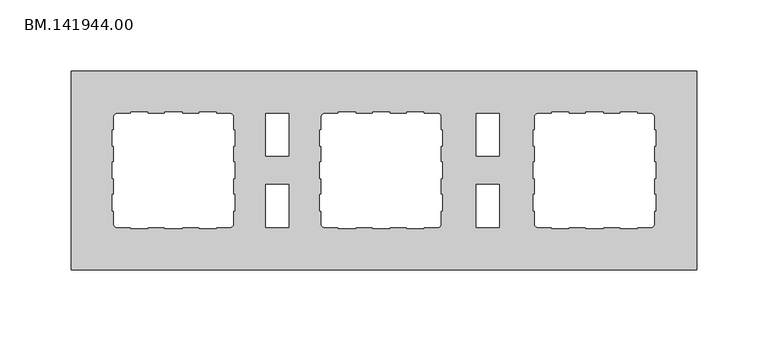
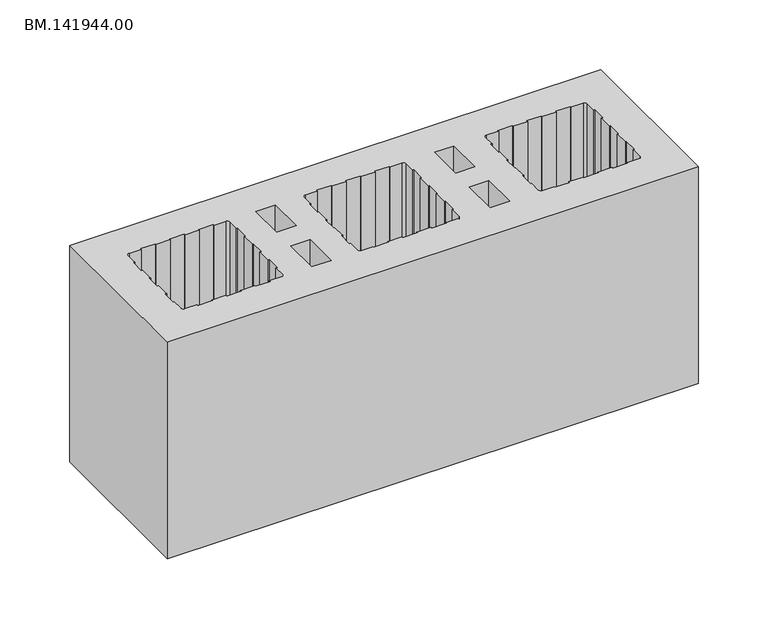
"""IFC4 building model written with IfcOpenShell, lengths in millimetres: proxy geometry, BM.141944.00."""

from ifc_helpers import new_model, si_unit, point, frame_2d, origin, origin_with_axes, place, context, project, spatial, polyline, circle_curve, trimmed, segment, composite_curve, outline, extrude, source, transform, mapped, element, save


def bm_141944_00_1180f488(model_context):
    return source(origin(), model_context, "Body", "SweptSolid", [
        extrude(outline(polyline([(444.991748, 70.0050293), (444.991748, -70.0050293), (5.0, -70.0050293), (5.0, 70.0050293), (444.991748, 70.0050293)]), holes=[composite_curve([segment(polyline([(119.0023438, 28.5936035), (119.0023438, 37.9883789)]), True, "CONTINUOUS"), segment(trimmed(circle_curve(frame_2d((116.9931641, 37.9883789)), 2.0091797), [point((119.0023438, 37.9883789))], [point((116.9931641, 39.9975586))], True, "CARTESIAN"), True, "CONTINUOUS"), segment(polyline([(116.9931641, 39.9975586), (107.0030762, 39.9975586), (107.0030762, 41.0021484), (95.0038086, 41.0021484), (95.0038086, 39.9975586), (83.004541, 39.9975586), (83.004541, 41.0021484), (71.0052734, 41.0021484), (71.0052734, 39.9975586), (59.0060059, 39.9975586), (59.0060059, 41.0021484), (47.0067383, 41.0021484), (47.0067383, 39.9975586), (37.0166504, 39.9975586)]), True, "CONTINUOUS"), segment(trimmed(circle_curve(frame_2d((37.0166504, 37.9883789)), 2.0091797), [point((37.0166504, 39.9975586))], [point((35.0074707, 37.9883789))], True, "CARTESIAN"), True, "CONTINUOUS"), segment(polyline([(35.0074707, 37.9883789), (35.0074707, 28.5936035), (34.0028809, 28.5936035), (34.0028809, 17.1896484), (35.0074707, 17.1896484), (35.0074707, 5.8042969), (34.0028809, 5.8042969), (34.0028809, -5.5996582), (35.0074707, -5.5996582), (35.0074707, -17.0036133), (34.0028809, -17.0036133), (34.0028809, -28.4075684), (35.0074707, -28.4075684), (35.0074707, -37.9883789)]), True, "CONTINUOUS"), segment(trimmed(circle_curve(frame_2d((37.0166504, -37.9883789)), 2.0091797), [point((35.0074707, -37.9883789))], [point((37.0166504, -39.9975586))], True, "CARTESIAN"), True, "CONTINUOUS"), segment(polyline([(37.0166504, -39.9975586), (47.0067383, -39.9975586), (47.0067383, -41.0021484), (59.0060059, -41.0021484), (59.0060059, -39.9975586), (71.0052734, -39.9975586), (71.0052734, -41.0021484), (83.004541, -41.0021484), (83.004541, -39.9975586), (95.0038086, -39.9975586), (95.0038086, -41.0021484), (107.0030762, -41.0021484), (107.0030762, -39.9975586), (116.9931641, -39.9975586)]), True, "CONTINUOUS"), segment(trimmed(circle_curve(frame_2d((116.9931641, -37.9883789)), 2.0091797), [point((116.9931641, -39.9975586))], [point((119.0023438, -37.9883789))], True, "CARTESIAN"), True, "CONTINUOUS"), segment(polyline([(119.0023438, -37.9883789), (119.0023438, -28.4075684), (120.0069336, -28.4075684), (120.0069336, -17.0036133), (119.0023438, -17.0036133), (119.0023438, -5.5996582), (120.0069336, -5.5996582), (120.0069336, 5.8042969), (119.0023438, 5.8042969), (119.0023438, 17.1896484), (120.0069336, 17.1896484), (120.0069336, 28.5936035), (119.0023438, 28.5936035)]), True, "CONTINUOUS")], self_intersect=False), polyline([(157.9953125, 39.9975586), (141.9962891, 39.9975586), (141.9962891, 9.9900879), (157.9953125, 9.9900879), (157.9953125, 39.9975586)]), polyline([(157.9953125, -10.0086914), (141.9962891, -10.0086914), (141.9962891, -39.9975586), (157.9953125, -39.9975586), (157.9953125, -10.0086914)]), composite_curve([segment(polyline([(180.9892578, 28.5936035), (179.984668, 28.5936035), (179.984668, 17.1896484), (180.9892578, 17.1896484), (180.9892578, 5.8042969), (179.984668, 5.8042969), (179.984668, -5.5996582), (180.9892578, -5.5996582), (180.9892578, -17.0036133), (179.984668, -17.0036133), (179.984668, -28.4075684), (180.9892578, -28.4075684), (180.9892578, -37.9883789)]), True, "CONTINUOUS"), segment(trimmed(circle_curve(frame_2d((182.9984375, -37.9883789)), 2.0091797), [point((180.9892578, -37.9883789))], [point((182.9984375, -39.9975586))], True, "CARTESIAN"), True, "CONTINUOUS"), segment(polyline([(182.9984375, -39.9975586), (192.9885254, -39.9975586), (192.9885254, -41.0021484), (204.987793, -41.0021484), (204.987793, -39.9975586), (216.9870605, -39.9975586), (216.9870605, -41.0021484), (228.9863281, -41.0021484), (228.9863281, -39.9975586), (240.9855957, -39.9975586), (240.9855957, -41.0021484), (252.9848633, -41.0021484), (252.9848633, -39.9975586), (262.9749512, -39.9975586)]), True, "CONTINUOUS"), segment(trimmed(circle_curve(frame_2d((262.9749512, -37.9883789)), 2.0091797), [point((262.9749512, -39.9975586))], [point((264.9841309, -37.9883789))], True, "CARTESIAN"), True, "CONTINUOUS"), segment(polyline([(264.9841309, -37.9883789), (264.9841309, -28.4075684), (265.9887207, -28.4075684), (265.9887207, -17.0036133), (264.9841309, -17.0036133), (264.9841309, -5.5996582), (265.9887207, -5.5996582), (265.9887207, 5.8042969), (264.9841309, 5.8042969), (264.9841309, 17.1896484), (265.9887207, 17.1896484), (265.9887207, 28.5936035), (264.9841309, 28.5936035), (264.9841309, 37.9883789)]), True, "CONTINUOUS"), segment(trimmed(circle_curve(frame_2d((262.9749512, 37.9883789)), 2.0091797), [point((264.9841309, 37.9883789))], [point((262.9749512, 39.9975586))], True, "CARTESIAN"), True, "CONTINUOUS"), segment(polyline([(262.9749512, 39.9975586), (252.9848633, 39.9975586), (252.9848633, 41.0021484), (240.9855957, 41.0021484), (240.9855957, 39.9975586), (228.9863281, 39.9975586), (228.9863281, 41.0021484), (216.9870605, 41.0021484), (216.9870605, 39.9975586), (204.987793, 39.9975586), (204.987793, 41.0021484), (192.9885254, 41.0021484), (192.9885254, 39.9975586), (182.9984375, 39.9975586)]), True, "CONTINUOUS"), segment(trimmed(circle_curve(frame_2d((182.9984375, 37.9883789)), 2.0091797), [point((182.9984375, 39.9975586))], [point((180.9892578, 37.9883789))], True, "CARTESIAN"), True, "CONTINUOUS"), segment(polyline([(180.9892578, 37.9883789), (180.9892578, 28.5936035)]), True, "CONTINUOUS")], self_intersect=False), polyline([(306.0048828, 39.9975586), (290.0058594, 39.9975586), (290.0058594, 9.9900879), (306.0048828, 9.9900879), (306.0048828, 39.9975586)]), polyline([(306.0048828, -10.0086914), (290.0058594, -10.0086914), (290.0058594, -39.9975586), (306.0048828, -39.9975586), (306.0048828, -10.0086914)]), composite_curve([segment(polyline([(330.9894043, 28.5936035), (329.9848145, 28.5936035), (329.9848145, 17.1896484), (330.9894043, 17.1896484), (330.9894043, 5.8042969), (329.9848145, 5.8042969), (329.9848145, -5.5996582), (330.9894043, -5.5996582), (330.9894043, -17.0036133), (329.9848145, -17.0036133), (329.9848145, -28.4075684), (330.9894043, -28.4075684), (330.9894043, -37.9883789)]), True, "CONTINUOUS"), segment(trimmed(circle_curve(frame_2d((332.998584, -37.9883789)), 2.0091797), [point((330.9894043, -37.9883789))], [point((332.998584, -39.9975586))], True, "CARTESIAN"), True, "CONTINUOUS"), segment(polyline([(332.998584, -39.9975586), (342.9886719, -39.9975586), (342.9886719, -41.0021484), (354.9879395, -41.0021484), (354.9879395, -39.9975586), (366.987207, -39.9975586), (366.987207, -41.0021484), (378.9864746, -41.0021484), (378.9864746, -39.9975586), (390.9857422, -39.9975586), (390.9857422, -41.0021484), (402.9850098, -41.0021484), (402.9850098, -39.9975586), (412.9750977, -39.9975586)]), True, "CONTINUOUS"), segment(trimmed(circle_curve(frame_2d((412.9750977, -37.9883789)), 2.0091797), [point((412.9750977, -39.9975586))], [point((414.9842773, -37.9883789))], True, "CARTESIAN"), True, "CONTINUOUS"), segment(polyline([(414.9842773, -37.9883789), (414.9842773, -28.4075684), (415.9888672, -28.4075684), (415.9888672, -17.0036133), (414.9842773, -17.0036133), (414.9842773, -5.5996582), (415.9888672, -5.5996582), (415.9888672, 5.8042969), (414.9842773, 5.8042969), (414.9842773, 17.1896484), (415.9888672, 17.1896484), (415.9888672, 28.5936035), (414.9842773, 28.5936035), (414.9842773, 37.9883789)]), True, "CONTINUOUS"), segment(trimmed(circle_curve(frame_2d((412.9750977, 37.9883789)), 2.0091797), [point((414.9842773, 37.9883789))], [point((412.9750977, 39.9975586))], True, "CARTESIAN"), True, "CONTINUOUS"), segment(polyline([(412.9750977, 39.9975586), (402.9850098, 39.9975586), (402.9850098, 41.0021484), (390.9857422, 41.0021484), (390.9857422, 39.9975586), (378.9864746, 39.9975586), (378.9864746, 41.0021484), (366.987207, 41.0021484), (366.987207, 39.9975586), (354.9879395, 39.9975586), (354.9879395, 41.0021484), (342.9886719, 41.0021484), (342.9886719, 39.9975586), (332.998584, 39.9975586)]), True, "CONTINUOUS"), segment(trimmed(circle_curve(frame_2d((332.998584, 37.9883789)), 2.0091797), [point((332.998584, 39.9975586))], [point((330.9894043, 37.9883789))], True, "CARTESIAN"), True, "CONTINUOUS"), segment(polyline([(330.9894043, 37.9883789), (330.9894043, 28.5936035)]), True, "CONTINUOUS")], self_intersect=False)]), origin_with_axes(), (0.0, 0.0, 1.0), 190.0),
    ])


if __name__ == "__main__":
    model = new_model("IFC4")
    model_context = context("Model", 3, world=origin())
    ifc_project = project(units=[si_unit("LENGTHUNIT", "METRE", prefix="MILLI")], contexts=[model_context])
    site = spatial("IfcSite", under=ifc_project)
    building = spatial("IfcBuilding", under=site)
    placement = place(None, origin())
    bm_141944_00_shape = bm_141944_00_1180f488(model_context)
    element("IfcBuildingElementProxy", 1, Name="BM.141944.00", ObjectType="BM.141944.00", at=placement, inside=building, context=model_context, shape_type="MappedRepresentation", body=[
        mapped(bm_141944_00_shape, transform((0.0, 0.0, 0.0), x_axis=(1.0, 0.0, 0.0), y_axis=(0.0, 1.0, 0.0), z_axis=(0.0, 0.0, 1.0))),
    ])
    save(model, "model.ifc")
